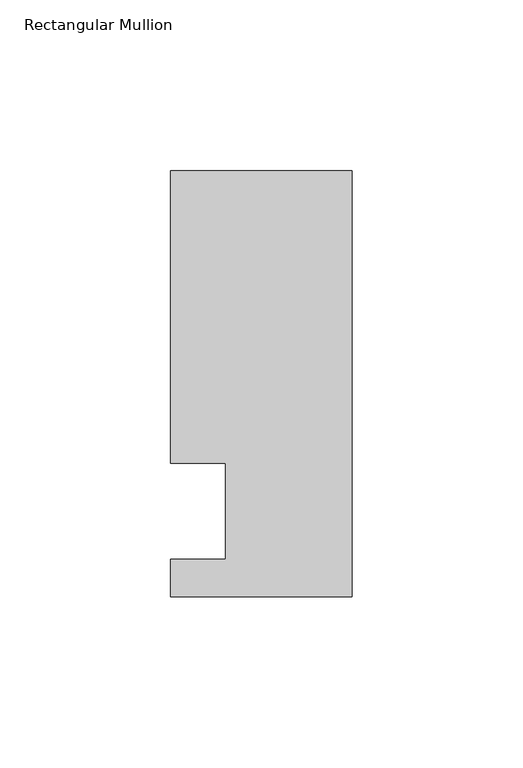
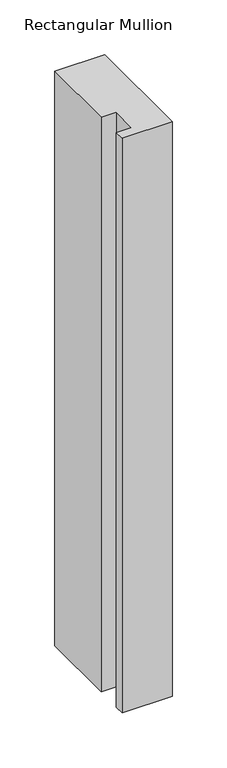
"""IFC4 building model written with IfcOpenShell, lengths in millimetres: member geometry, Rectangular Mullion."""

from ifc_helpers import new_model, si_unit, frame, origin, place, context, project, spatial, polyline, outline, extrude, source, transform, mapped, element, save


def rectangular_mullion_c8d07bb6(model_context):
    return source(origin(), model_context, "Body", "SweptSolid", [
        extrude(outline(polyline([(-37.0, -13.9999453), (-37.0, 14.0000547), (-53.0, 14.0000547), (-53.0, 99.5000547), (0.0, 99.5000547), (0.0, -24.9999453), (-53.0, -24.9999453), (-53.0, -13.9999453), (-37.0, -13.9999453)])), frame((0.0, 0.0, -643.9037852), z_axis=(0.0, 0.0, 1.0), x_axis=(1.0, 0.0, 0.0)), (0.0, 0.0, 1.0), 643.9037852),
    ])


if __name__ == "__main__":
    model = new_model("IFC4")
    model_context = context("Model", 3, world=origin())
    ifc_project = project(units=[si_unit("LENGTHUNIT", "METRE", prefix="MILLI")], contexts=[model_context])
    site = spatial("IfcSite", under=ifc_project)
    building = spatial("IfcBuilding", under=site)
    placement = place(None, origin())
    rectangular_mullion_shape = rectangular_mullion_c8d07bb6(model_context)
    element("IfcMember", 1, ObjectType="Rectangular Mullion", at=placement, inside=building, context=model_context, shape_type="MappedRepresentation", body=[
        mapped(rectangular_mullion_shape, transform((0.0, 0.0, 0.0), x_axis=(1.0, 0.0, 0.0), y_axis=(0.0, 1.0, 0.0), z_axis=(0.0, 0.0, 1.0))),
    ])
    save(model, "model.ifc")
